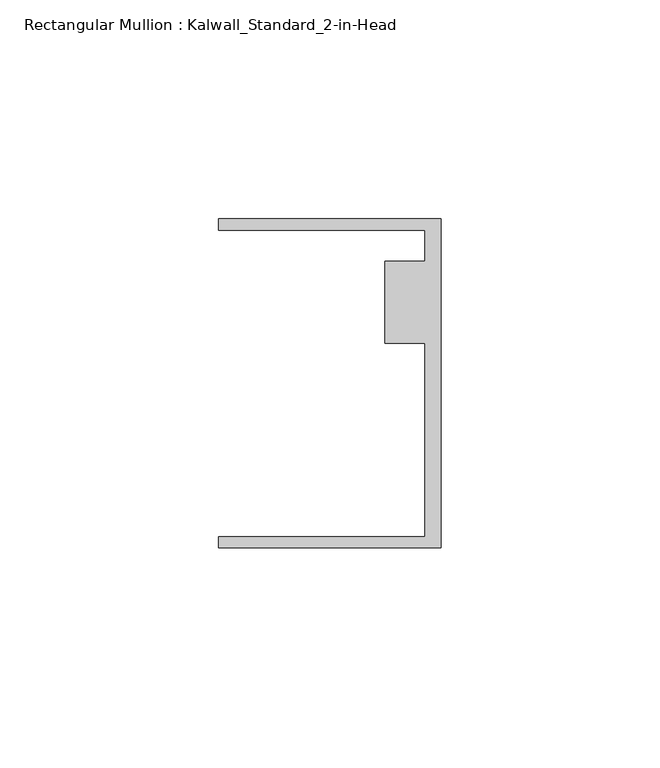
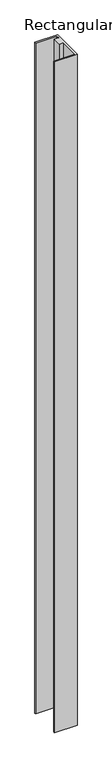
"""IFC4 building model written with IfcOpenShell, lengths in millimetres: member geometry, Rectangular Mullion : Kalwall_Standard_2-in-Head."""

import ifcopenshell
import ifcopenshell.guid

model = None  # the IFC model being written
_history = None  # IfcOwnerHistory: only IFC2X3 demands one
_inside = {}  # id of a spatial element -> (the spatial element, [elements in it])
_under = {}  # id of a project, library or spatial element -> (it, [spatial elements below it])
_declared = {}  # id of a project -> (the project, [libraries it declares])
_typed = {}  # id of a type object -> (the type object, [elements of that type])
_made_of = {}  # id of a material, layer set ... -> (it, [elements and type objects made of it])


def new_model(schema):
    """Start an empty IFC model of exactly this schema.

    Asked for "IFC4X3", IfcOpenShell would pick the latest addendum, in which some entities
    have other attributes; the version numbers below select the first issue.
    IFC2X3 requires an IfcOwnerHistory on every rooted entity: one is made here for all.
    """
    global model, _history
    if schema == "IFC4X3":
        model = ifcopenshell.file(schema_version=(4, 3, 0, 0))
    else:
        model = ifcopenshell.file(schema=schema)
    _inside.clear()
    _under.clear()
    _declared.clear()
    _typed.clear()
    _made_of.clear()
    _history = None
    if model.schema == "IFC2X3":
        org = make("IfcOrganization", Name="unknown")
        user = make(
            "IfcPersonAndOrganization",
            ThePerson=make("IfcPerson", FamilyName="unknown"),
            TheOrganization=org,
        )
        app = make(
            "IfcApplication",
            ApplicationDeveloper=org,
            Version="unknown",
            ApplicationFullName="unknown",
            ApplicationIdentifier="unknown",
        )
        _history = make(
            "IfcOwnerHistory",
            OwningUser=user,
            OwningApplication=app,
            ChangeAction="ADDED",
            CreationDate=0,
        )
    return model


def make(cls, **values):
    """One entity of the class cls with the attributes given. An attribute that is None is left unset."""
    return model.create_entity(
        cls, **{name: value for name, value in values.items() if value is not None}
    )


def rooted(cls, **values):
    """An entity with a GlobalId (a new one), such as an element, a storey or a relation."""
    return make(cls, GlobalId=ifcopenshell.guid.new(), OwnerHistory=_history, **values)


def si_unit(unit_type, name, prefix=None):
    """IfcSIUnit, for example si_unit("LENGTHUNIT", "METRE", prefix="MILLI")."""
    return make("IfcSIUnit", UnitType=unit_type, Prefix=prefix, Name=name)


def assignment(units):
    """IfcUnitAssignment: the units of a project."""
    return None if units is None else make("IfcUnitAssignment", Units=units)


def point(xyz):
    """IfcCartesianPoint."""
    return None if xyz is None else make("IfcCartesianPoint", Coordinates=xyz)


def direction(xyz):
    """IfcDirection."""
    return None if xyz is None else make("IfcDirection", DirectionRatios=xyz)


def frame(location, z_axis=None, x_axis=None):
    """IfcAxis2Placement3D, a coordinate frame: its origin and axes. An axis left out is left unset."""
    return make(
        "IfcAxis2Placement3D",
        Location=point(location),
        Axis=direction(z_axis),
        RefDirection=direction(x_axis),
    )


def origin():
    """The frame at (0, 0, 0) with its axes left unset."""
    return frame((0.0, 0.0, 0.0))


def place(relative_to, where):
    """IfcLocalPlacement: puts the frame where relative to a parent placement (None: the world)."""
    return make(
        "IfcLocalPlacement", PlacementRelTo=relative_to, RelativePlacement=where
    )


def context(
    kind, dimensions, precision=None, world=None, true_north=None, identifier=None
):
    """IfcGeometricRepresentationContext, for example the 3D "Model" context."""
    return make(
        "IfcGeometricRepresentationContext",
        ContextIdentifier=identifier,
        ContextType=kind,
        CoordinateSpaceDimension=dimensions,
        Precision=precision,
        WorldCoordinateSystem=world,
        TrueNorth=true_north,
    )


def project(units=None, contexts=None):
    """IfcProject with its units and contexts."""
    return rooted(
        "IfcProject",
        Name="project",
        RepresentationContexts=contexts,
        UnitsInContext=assignment(units),
    )


def spatial(cls, under=None, at=None, **own):
    """A site, building, storey or space (cls), placed at a placement, below another one or the project."""
    s = rooted(cls, ObjectPlacement=at, **own)
    if under is not None:
        _under.setdefault(under.id(), (under, []))[1].append(s)
    return s


def polyline(points):
    """IfcPolyline through the points."""
    return make("IfcPolyline", Points=[point(p) for p in points])


def outline(outer, holes=None, kind="AREA"):
    """IfcArbitraryClosedProfileDef: a profile drawn as a closed curve; with holes, ...WithVoids."""
    if holes is None:
        return make("IfcArbitraryClosedProfileDef", ProfileType=kind, OuterCurve=outer)
    return make(
        "IfcArbitraryProfileDefWithVoids",
        ProfileType=kind,
        OuterCurve=outer,
        InnerCurves=holes,
    )


def extrude(swept, where, along, depth):
    """IfcExtrudedAreaSolid: the profile swept, set in the frame where, extruded along a direction by depth."""
    return make(
        "IfcExtrudedAreaSolid",
        SweptArea=swept,
        Position=where,
        ExtrudedDirection=direction(along),
        Depth=depth,
    )


def shape(context_of_items, identifier, shape_type, items):
    """IfcShapeRepresentation: the items that make up one representation, for example the "Body"."""
    return make(
        "IfcShapeRepresentation",
        ContextOfItems=context_of_items,
        RepresentationIdentifier=identifier,
        RepresentationType=shape_type,
        Items=items,
    )


def source(mapping_origin, context_of_items, identifier, shape_type, items):
    """IfcRepresentationMap: a shape defined once, which mapped items show again and again."""
    return make(
        "IfcRepresentationMap",
        MappingOrigin=mapping_origin,
        MappedRepresentation=shape(context_of_items, identifier, shape_type, items),
    )


def transform(
    local_origin,
    x_axis=None,
    y_axis=None,
    z_axis=None,
    scale=None,
    scale2=None,
    scale3=None,
    uniform=True,
):
    """IfcCartesianTransformationOperator3D, or its non-uniform kind. x_axis, y_axis, z_axis: its Axis1, 2, 3."""
    if uniform:
        return make(
            "IfcCartesianTransformationOperator3D",
            Axis1=direction(x_axis),
            Axis2=direction(y_axis),
            LocalOrigin=point(local_origin),
            Scale=scale,
            Axis3=direction(z_axis),
        )
    return make(
        "IfcCartesianTransformationOperator3DnonUniform",
        Axis1=direction(x_axis),
        Axis2=direction(y_axis),
        LocalOrigin=point(local_origin),
        Scale=scale,
        Axis3=direction(z_axis),
        Scale2=scale2,
        Scale3=scale3,
    )


def mapped(mapping_source, mapping_target):
    """IfcMappedItem: shows the shape of a source again, moved by a transform."""
    return make(
        "IfcMappedItem", MappingSource=mapping_source, MappingTarget=mapping_target
    )


def made_of(thing, what):
    """Note that an element or type object is made of a material, layer set ...; save() writes the relation."""
    if what is not None:
        _made_of.setdefault(what.id(), (what, []))[1].append(thing)
    return thing


def element(
    cls,
    number,
    at=None,
    inside=None,
    cuts=None,
    type_object=None,
    material=None,
    context=None,
    identifier="Body",
    shape_type=None,
    held_by="IfcProductDefinitionShape",
    body=None,
    shapes=None,
    **own,
):
    """One element of the class cls, such as IfcWall. Its Tag is "e" and its number.

    at: its placement. inside: the storey or other place that contains it. cuts: it is an
    opening in that element (IfcRelVoidsElement). A single representation is given by context,
    identifier, shape_type and body (its items); several are given by shapes. held_by: the class
    of the entity that holds the representations. save() writes the other relations.
    """
    e = rooted(cls, Tag="e%d" % number, ObjectPlacement=at, **own)
    if body is not None:
        shapes = [shape(context, identifier, shape_type, body)]
    if shapes is not None:
        e.Representation = make(held_by, Representations=shapes)
    if inside is not None:
        _inside.setdefault(inside.id(), (inside, []))[1].append(e)
    if cuts is not None:
        rooted(
            "IfcRelVoidsElement", RelatingBuildingElement=cuts, RelatedOpeningElement=e
        )
    if type_object is not None:
        _typed.setdefault(type_object.id(), (type_object, []))[1].append(e)
    return made_of(e, material)


def aggregate(whole, parts):
    """IfcRelAggregates: a whole, such as a stair, and the parts it consists of."""
    return rooted("IfcRelAggregates", RelatingObject=whole, RelatedObjects=parts)


def save(model, path):
    """Write the relations noted so far, then the file.

    IfcRelAggregates (storeys below a building ...), IfcRelContainedInSpatialStructure (elements
    in a storey), IfcRelDefinesByType, IfcRelAssociatesMaterial and IfcRelDeclares: one each for
    every whole, place, type object, material and project.
    """
    for whole, parts in _under.values():
        aggregate(whole, parts)
    for where, things in _inside.values():
        rooted(
            "IfcRelContainedInSpatialStructure",
            RelatedElements=things,
            RelatingStructure=where,
        )
    for kind, things in _typed.values():
        rooted("IfcRelDefinesByType", RelatedObjects=things, RelatingType=kind)
    for what, things in _made_of.values():
        rooted("IfcRelAssociatesMaterial", RelatedObjects=things, RelatingMaterial=what)
    for by, libraries in _declared.values():
        rooted("IfcRelDeclares", RelatingContext=by, RelatedDefinitions=libraries)
    model.write(path)


def rectangular_mullion_kalwall_standard_2_in_head_0e462baa(model_context):
    return source(origin(), model_context, "Body", "SweptSolid", [
        extrude(outline(polyline([(0.0, 37.5776386), (0.0, -37.5023614), (-50.8, -37.5023614), (-50.8, -34.9623614), (-3.7084, -34.9623614), (-3.7084, 9.1879886), (-12.8272539, 9.1879886), (-12.8272539, 27.8888568), (-3.7084, 27.8888568), (-3.7084, 35.0376386), (-50.8, 35.0376386), (-50.8, 37.5776386), (0.0, 37.5776386)])), frame((0.0, 0.0, -1585.0068), z_axis=(0.0, 0.0, 1.0), x_axis=(1.0, 0.0, 0.0)), (0.0, 0.0, 1.0), 1585.0068),
    ])


if __name__ == "__main__":
    model = new_model("IFC4")
    model_context = context("Model", 3, world=origin())
    ifc_project = project(units=[si_unit("LENGTHUNIT", "METRE", prefix="MILLI")], contexts=[model_context])
    site = spatial("IfcSite", under=ifc_project)
    building = spatial("IfcBuilding", under=site)
    placement = place(None, origin())
    rectangular_mullion_kalwall_standard_2_in_head_shape = rectangular_mullion_kalwall_standard_2_in_head_0e462baa(model_context)
    element("IfcMember", 1, ObjectType="Rectangular Mullion : Kalwall_Standard_2-in-Head", at=placement, inside=building, context=model_context, shape_type="MappedRepresentation", body=[
        mapped(rectangular_mullion_kalwall_standard_2_in_head_shape, transform((0.0, 0.0, 0.0), x_axis=(1.0, 0.0, 0.0), y_axis=(0.0, 1.0, 0.0), z_axis=(0.0, 0.0, 1.0))),
    ])
    save(model, "model.ifc")
